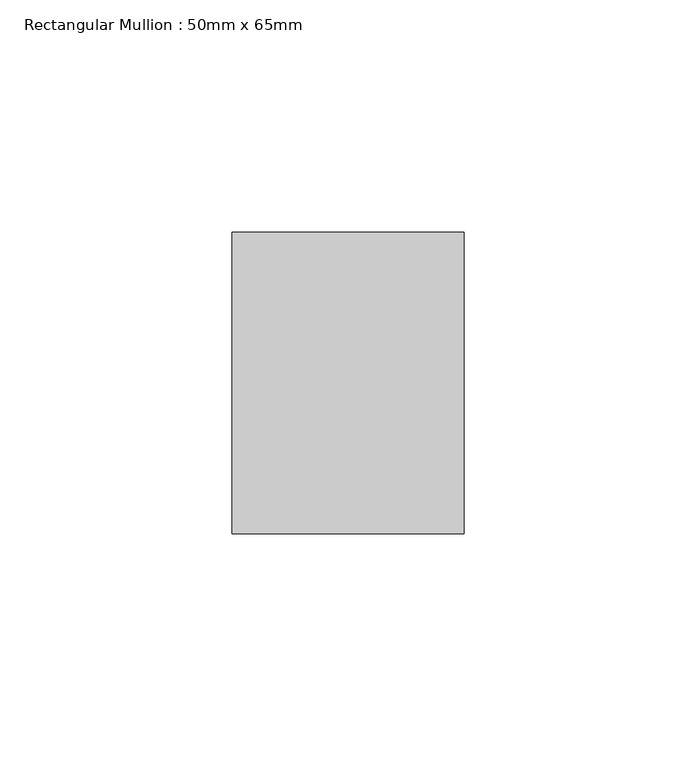
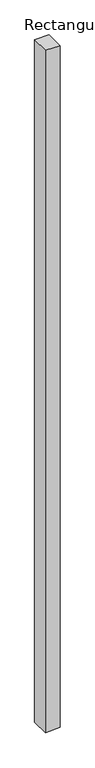
"""IFC4 building model written with IfcOpenShell, lengths in millimetres: member geometry, Rectangular Mullion : 50mm x 65mm."""

from ifc_helpers import new_model, si_unit, origin, place, context, project, spatial, faceted_brep, source, transform, mapped, element, save


def rectangular_mullion_50mm_x_65mm_67583a82(model_context):
    return source(origin(), model_context, "Body", "Brep", [
        faceted_brep([(25.0, 32.5, 0.0), (-25.0, 32.5, 0.0), (-25.0, -32.5, 0.0), (25.0, -32.5, 0.0), (25.0, 32.5, -2502.8589437), (-25.0, 32.5, -2505.150714), (-25.0, -32.5, -2503.1916371), (25.0, -32.5, -2500.8998667)], [[[0, 1, 2, 3]], [[1, 0, 4, 5]], [[2, 1, 5, 6]], [[3, 2, 6, 7]], [[0, 3, 7, 4]], [[4, 7, 6, 5]]]),
    ])


if __name__ == "__main__":
    model = new_model("IFC4")
    model_context = context("Model", 3, world=origin())
    ifc_project = project(units=[si_unit("LENGTHUNIT", "METRE", prefix="MILLI")], contexts=[model_context])
    site = spatial("IfcSite", under=ifc_project)
    building = spatial("IfcBuilding", under=site)
    placement = place(None, origin())
    rectangular_mullion_50mm_x_65mm_shape = rectangular_mullion_50mm_x_65mm_67583a82(model_context)
    element("IfcMember", 1, ObjectType="Rectangular Mullion : 50mm x 65mm", at=placement, inside=building, context=model_context, shape_type="MappedRepresentation", body=[
        mapped(rectangular_mullion_50mm_x_65mm_shape, transform((0.0, 0.0, 0.0), x_axis=(1.0, 0.0, 0.0), y_axis=(0.0, 1.0, 0.0), z_axis=(0.0, 0.0, 1.0))),
    ])
    save(model, "model.ifc")
